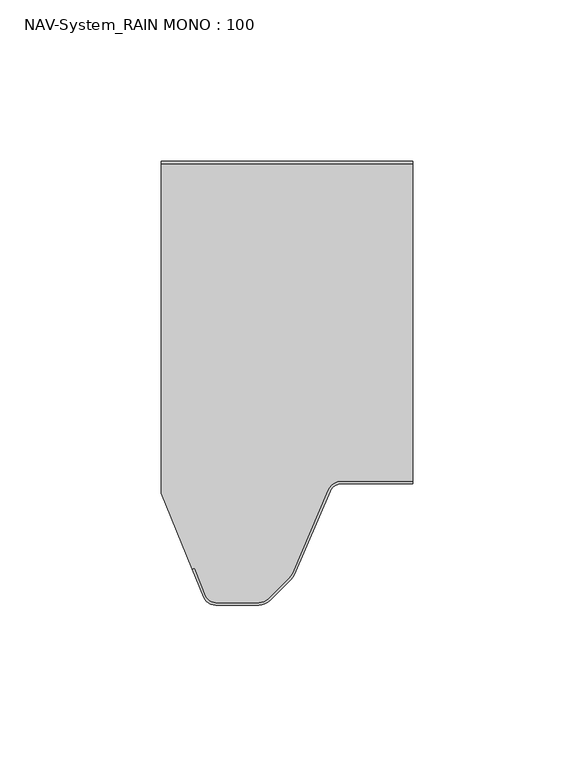
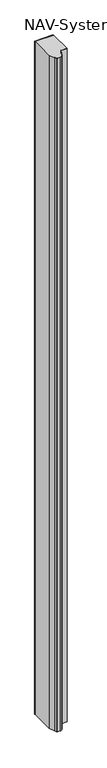
"""IFC4 building model written with IfcOpenShell, lengths in millimetres: plate geometry, NAV-System_RAIN MONO : 100."""

import ifcopenshell
import ifcopenshell.guid

model = None  # the IFC model being written
_history = None  # IfcOwnerHistory: only IFC2X3 demands one
_inside = {}  # id of a spatial element -> (the spatial element, [elements in it])
_under = {}  # id of a project, library or spatial element -> (it, [spatial elements below it])
_declared = {}  # id of a project -> (the project, [libraries it declares])
_typed = {}  # id of a type object -> (the type object, [elements of that type])
_made_of = {}  # id of a material, layer set ... -> (it, [elements and type objects made of it])


def new_model(schema):
    """Start an empty IFC model of exactly this schema.

    Asked for "IFC4X3", IfcOpenShell would pick the latest addendum, in which some entities
    have other attributes; the version numbers below select the first issue.
    IFC2X3 requires an IfcOwnerHistory on every rooted entity: one is made here for all.
    """
    global model, _history
    if schema == "IFC4X3":
        model = ifcopenshell.file(schema_version=(4, 3, 0, 0))
    else:
        model = ifcopenshell.file(schema=schema)
    _inside.clear()
    _under.clear()
    _declared.clear()
    _typed.clear()
    _made_of.clear()
    _history = None
    if model.schema == "IFC2X3":
        org = make("IfcOrganization", Name="unknown")
        user = make(
            "IfcPersonAndOrganization",
            ThePerson=make("IfcPerson", FamilyName="unknown"),
            TheOrganization=org,
        )
        app = make(
            "IfcApplication",
            ApplicationDeveloper=org,
            Version="unknown",
            ApplicationFullName="unknown",
            ApplicationIdentifier="unknown",
        )
        _history = make(
            "IfcOwnerHistory",
            OwningUser=user,
            OwningApplication=app,
            ChangeAction="ADDED",
            CreationDate=0,
        )
    return model


def make(cls, **values):
    """One entity of the class cls with the attributes given. An attribute that is None is left unset."""
    return model.create_entity(
        cls, **{name: value for name, value in values.items() if value is not None}
    )


def rooted(cls, **values):
    """An entity with a GlobalId (a new one), such as an element, a storey or a relation."""
    return make(cls, GlobalId=ifcopenshell.guid.new(), OwnerHistory=_history, **values)


def si_unit(unit_type, name, prefix=None):
    """IfcSIUnit, for example si_unit("LENGTHUNIT", "METRE", prefix="MILLI")."""
    return make("IfcSIUnit", UnitType=unit_type, Prefix=prefix, Name=name)


def assignment(units):
    """IfcUnitAssignment: the units of a project."""
    return None if units is None else make("IfcUnitAssignment", Units=units)


def point(xyz):
    """IfcCartesianPoint."""
    return None if xyz is None else make("IfcCartesianPoint", Coordinates=xyz)


def direction(xyz):
    """IfcDirection."""
    return None if xyz is None else make("IfcDirection", DirectionRatios=xyz)


def frame(location, z_axis=None, x_axis=None):
    """IfcAxis2Placement3D, a coordinate frame: its origin and axes. An axis left out is left unset."""
    return make(
        "IfcAxis2Placement3D",
        Location=point(location),
        Axis=direction(z_axis),
        RefDirection=direction(x_axis),
    )


def frame_2d(location, x_axis=None):
    """IfcAxis2Placement2D, a coordinate frame in the plane: its origin and x axis."""
    return make(
        "IfcAxis2Placement2D", Location=point(location), RefDirection=direction(x_axis)
    )


def origin():
    """The frame at (0, 0, 0) with its axes left unset."""
    return frame((0.0, 0.0, 0.0))


def origin_with_axes():
    """The frame at (0, 0, 0) with the z axis (0, 0, 1) and the x axis (1, 0, 0) written out."""
    return frame((0.0, 0.0, 0.0), z_axis=(0.0, 0.0, 1.0), x_axis=(1.0, 0.0, 0.0))


def place(relative_to, where):
    """IfcLocalPlacement: puts the frame where relative to a parent placement (None: the world)."""
    return make(
        "IfcLocalPlacement", PlacementRelTo=relative_to, RelativePlacement=where
    )


def context(
    kind, dimensions, precision=None, world=None, true_north=None, identifier=None
):
    """IfcGeometricRepresentationContext, for example the 3D "Model" context."""
    return make(
        "IfcGeometricRepresentationContext",
        ContextIdentifier=identifier,
        ContextType=kind,
        CoordinateSpaceDimension=dimensions,
        Precision=precision,
        WorldCoordinateSystem=world,
        TrueNorth=true_north,
    )


def project(units=None, contexts=None):
    """IfcProject with its units and contexts."""
    return rooted(
        "IfcProject",
        Name="project",
        RepresentationContexts=contexts,
        UnitsInContext=assignment(units),
    )


def spatial(cls, under=None, at=None, **own):
    """A site, building, storey or space (cls), placed at a placement, below another one or the project."""
    s = rooted(cls, ObjectPlacement=at, **own)
    if under is not None:
        _under.setdefault(under.id(), (under, []))[1].append(s)
    return s


def polyline(points):
    """IfcPolyline through the points."""
    return make("IfcPolyline", Points=[point(p) for p in points])


def circle_curve(where, radius):
    """IfcCircle in the frame where."""
    return make("IfcCircle", Position=where, Radius=radius)


def trimmed(basis, trim1, trim2, sense, master):
    """IfcTrimmedCurve: the piece of a basis curve between two trims."""
    return make(
        "IfcTrimmedCurve",
        BasisCurve=basis,
        Trim1=trim1,
        Trim2=trim2,
        SenseAgreement=sense,
        MasterRepresentation=master,
    )


def segment(curve, same_sense, transition):
    """IfcCompositeCurveSegment."""
    return make(
        "IfcCompositeCurveSegment",
        Transition=transition,
        SameSense=same_sense,
        ParentCurve=curve,
    )


def composite_curve(segments, self_intersect=None):
    """IfcCompositeCurve: segments joined end to end."""
    return make("IfcCompositeCurve", Segments=segments, SelfIntersect=self_intersect)


def outline(outer, holes=None, kind="AREA"):
    """IfcArbitraryClosedProfileDef: a profile drawn as a closed curve; with holes, ...WithVoids."""
    if holes is None:
        return make("IfcArbitraryClosedProfileDef", ProfileType=kind, OuterCurve=outer)
    return make(
        "IfcArbitraryProfileDefWithVoids",
        ProfileType=kind,
        OuterCurve=outer,
        InnerCurves=holes,
    )


def extrude(swept, where, along, depth):
    """IfcExtrudedAreaSolid: the profile swept, set in the frame where, extruded along a direction by depth."""
    return make(
        "IfcExtrudedAreaSolid",
        SweptArea=swept,
        Position=where,
        ExtrudedDirection=direction(along),
        Depth=depth,
    )


def shape(context_of_items, identifier, shape_type, items):
    """IfcShapeRepresentation: the items that make up one representation, for example the "Body"."""
    return make(
        "IfcShapeRepresentation",
        ContextOfItems=context_of_items,
        RepresentationIdentifier=identifier,
        RepresentationType=shape_type,
        Items=items,
    )


def source(mapping_origin, context_of_items, identifier, shape_type, items):
    """IfcRepresentationMap: a shape defined once, which mapped items show again and again."""
    return make(
        "IfcRepresentationMap",
        MappingOrigin=mapping_origin,
        MappedRepresentation=shape(context_of_items, identifier, shape_type, items),
    )


def transform(
    local_origin,
    x_axis=None,
    y_axis=None,
    z_axis=None,
    scale=None,
    scale2=None,
    scale3=None,
    uniform=True,
):
    """IfcCartesianTransformationOperator3D, or its non-uniform kind. x_axis, y_axis, z_axis: its Axis1, 2, 3."""
    if uniform:
        return make(
            "IfcCartesianTransformationOperator3D",
            Axis1=direction(x_axis),
            Axis2=direction(y_axis),
            LocalOrigin=point(local_origin),
            Scale=scale,
            Axis3=direction(z_axis),
        )
    return make(
        "IfcCartesianTransformationOperator3DnonUniform",
        Axis1=direction(x_axis),
        Axis2=direction(y_axis),
        LocalOrigin=point(local_origin),
        Scale=scale,
        Axis3=direction(z_axis),
        Scale2=scale2,
        Scale3=scale3,
    )


def mapped(mapping_source, mapping_target):
    """IfcMappedItem: shows the shape of a source again, moved by a transform."""
    return make(
        "IfcMappedItem", MappingSource=mapping_source, MappingTarget=mapping_target
    )


def made_of(thing, what):
    """Note that an element or type object is made of a material, layer set ...; save() writes the relation."""
    if what is not None:
        _made_of.setdefault(what.id(), (what, []))[1].append(thing)
    return thing


def element(
    cls,
    number,
    at=None,
    inside=None,
    cuts=None,
    type_object=None,
    material=None,
    context=None,
    identifier="Body",
    shape_type=None,
    held_by="IfcProductDefinitionShape",
    body=None,
    shapes=None,
    **own,
):
    """One element of the class cls, such as IfcWall. Its Tag is "e" and its number.

    at: its placement. inside: the storey or other place that contains it. cuts: it is an
    opening in that element (IfcRelVoidsElement). A single representation is given by context,
    identifier, shape_type and body (its items); several are given by shapes. held_by: the class
    of the entity that holds the representations. save() writes the other relations.
    """
    e = rooted(cls, Tag="e%d" % number, ObjectPlacement=at, **own)
    if body is not None:
        shapes = [shape(context, identifier, shape_type, body)]
    if shapes is not None:
        e.Representation = make(held_by, Representations=shapes)
    if inside is not None:
        _inside.setdefault(inside.id(), (inside, []))[1].append(e)
    if cuts is not None:
        rooted(
            "IfcRelVoidsElement", RelatingBuildingElement=cuts, RelatedOpeningElement=e
        )
    if type_object is not None:
        _typed.setdefault(type_object.id(), (type_object, []))[1].append(e)
    return made_of(e, material)


def aggregate(whole, parts):
    """IfcRelAggregates: a whole, such as a stair, and the parts it consists of."""
    return rooted("IfcRelAggregates", RelatingObject=whole, RelatedObjects=parts)


def save(model, path):
    """Write the relations noted so far, then the file.

    IfcRelAggregates (storeys below a building ...), IfcRelContainedInSpatialStructure (elements
    in a storey), IfcRelDefinesByType, IfcRelAssociatesMaterial and IfcRelDeclares: one each for
    every whole, place, type object, material and project.
    """
    for whole, parts in _under.values():
        aggregate(whole, parts)
    for where, things in _inside.values():
        rooted(
            "IfcRelContainedInSpatialStructure",
            RelatedElements=things,
            RelatingStructure=where,
        )
    for kind, things in _typed.values():
        rooted("IfcRelDefinesByType", RelatedObjects=things, RelatingType=kind)
    for what, things in _made_of.values():
        rooted("IfcRelAssociatesMaterial", RelatedObjects=things, RelatingMaterial=what)
    for by, libraries in _declared.values():
        rooted("IfcRelDeclares", RelatingContext=by, RelatedDefinitions=libraries)
    model.write(path)


def nav_system_rain_mono_100_bbde0fb8(model_context):
    return source(origin(), model_context, "Body", "SweptSolid", [
        extrude(outline(polyline([(-28.0, -0.8), (-28.0, 0.0), (50.0, 0.0), (50.0, -0.8), (-28.0, -0.8)])), origin_with_axes(), (0.0, 0.0, 1.0), 3000.0),
        extrude(outline(composite_curve([segment(trimmed(circle_curve(frame_2d((28.0709249, -104.0)), 4.8), [point((28.0709249, -99.2))], [point((23.6607271, -102.1052295))], True, "CARTESIAN"), True, "CONTINUOUS"), segment(polyline([(23.6607271, -102.1052295), (12.5754349, -127.9069459)]), True, "CONTINUOUS"), segment(trimmed(circle_curve(frame_2d((8.7165118, -126.2490217)), 4.2), [point((12.5754349, -127.9069459))], [point((11.6863603, -129.2188701))], False, "CARTESIAN"), True, "CONTINUOUS"), segment(polyline([(11.6863603, -129.2188701), (5.235382, -135.6698485)]), True, "CONTINUOUS"), segment(trimmed(circle_curve(frame_2d((2.2655335, -132.7)), 4.2), [point((5.235382, -135.6698485))], [point((2.2655335, -136.9))], False, "CARTESIAN"), True, "CONTINUOUS"), segment(polyline([(2.2655335, -136.9), (-11.1405186, -136.9)]), True, "CONTINUOUS"), segment(trimmed(circle_curve(frame_2d((-11.1405186, -133.7)), 3.2), [point((-11.1405186, -136.9))], [point((-14.1022482, -134.9116756))], False, "CARTESIAN"), True, "CONTINUOUS"), segment(polyline([(-14.1022482, -134.9116756), (-17.6292254, -126.2905951), (-18.3696578, -126.593514), (-28.0, -103.053822), (-28.0, -0.8), (50.0, -0.8), (50.0, -99.2), (28.0709249, -99.2)]), True, "CONTINUOUS")], self_intersect=False)), origin_with_axes(), (0.0, 0.0, 1.0), 3000.0),
        extrude(outline(composite_curve([segment(polyline([(-14.8430228, -135.2145945), (-18.37, -126.593514), (-17.6295676, -126.2905951), (-14.1025904, -134.9116756)]), True, "CONTINUOUS"), segment(trimmed(circle_curve(frame_2d((-11.1408608, -133.7)), 3.2), [point((-14.1025904, -134.9116756))], [point((-11.1408608, -136.9))], True, "CARTESIAN"), True, "CONTINUOUS"), segment(polyline([(-11.1408608, -136.9), (2.2651913, -136.9)]), True, "CONTINUOUS"), segment(trimmed(circle_curve(frame_2d((2.2651913, -132.7)), 4.2), [point((2.2651913, -136.9))], [point((5.2350397, -135.6698485))], True, "CARTESIAN"), True, "CONTINUOUS"), segment(polyline([(5.2350397, -135.6698485), (11.6860181, -129.2188701)]), True, "CONTINUOUS"), segment(trimmed(circle_curve(frame_2d((8.7161696, -126.2490217)), 4.2), [point((11.6860181, -129.2188701))], [point((12.5750927, -127.9069459))], True, "CARTESIAN"), True, "CONTINUOUS"), segment(polyline([(12.5750927, -127.9069459), (23.6603849, -102.1052295)]), True, "CONTINUOUS"), segment(trimmed(circle_curve(frame_2d((28.0705827, -104.0)), 4.8), [point((23.6603849, -102.1052295))], [point((28.0705827, -99.2))], False, "CARTESIAN"), True, "CONTINUOUS"), segment(polyline([(28.0705827, -99.2), (50.0, -99.2), (50.0, -100.0), (28.0705827, -100.0)]), True, "CONTINUOUS"), segment(trimmed(circle_curve(frame_2d((28.0705827, -104.0)), 4.0), [point((28.0705827, -100.0))], [point((24.3954178, -102.4210246))], True, "CARTESIAN"), True, "CONTINUOUS"), segment(polyline([(24.3954178, -102.4210246), (13.3101256, -128.2227409)]), True, "CONTINUOUS"), segment(trimmed(circle_curve(frame_2d((8.7161696, -126.2490217)), 5.0), [point((13.3101256, -128.2227409))], [point((12.2517035, -129.7845556))], False, "CARTESIAN"), True, "CONTINUOUS"), segment(polyline([(12.2517035, -129.7845556), (5.8007252, -136.2355339)]), True, "CONTINUOUS"), segment(trimmed(circle_curve(frame_2d((2.2651913, -132.7)), 5.0), [point((5.8007252, -136.2355339))], [point((2.2651913, -137.7))], False, "CARTESIAN"), True, "CONTINUOUS"), segment(polyline([(2.2651913, -137.7), (-11.1408608, -137.7)]), True, "CONTINUOUS"), segment(trimmed(circle_curve(frame_2d((-11.1408608, -133.7)), 4.0), [point((-11.1408608, -137.7))], [point((-14.8430228, -135.2145945))], False, "CARTESIAN"), True, "CONTINUOUS")], self_intersect=False)), origin_with_axes(), (0.0, 0.0, 1.0), 3000.0),
    ])


if __name__ == "__main__":
    model = new_model("IFC4")
    model_context = context("Model", 3, world=origin())
    ifc_project = project(units=[si_unit("LENGTHUNIT", "METRE", prefix="MILLI")], contexts=[model_context])
    site = spatial("IfcSite", under=ifc_project)
    building = spatial("IfcBuilding", under=site)
    placement = place(None, origin())
    nav_system_rain_mono_100_shape = nav_system_rain_mono_100_bbde0fb8(model_context)
    element("IfcPlate", 1, ObjectType="NAV-System_RAIN MONO : 100", at=placement, inside=building, context=model_context, shape_type="MappedRepresentation", body=[
        mapped(nav_system_rain_mono_100_shape, transform((0.0, 0.0, 0.0), x_axis=(1.0, 0.0, 0.0), y_axis=(0.0, 1.0, 0.0), z_axis=(0.0, 0.0, 1.0))),
    ])
    save(model, "model.ifc")
